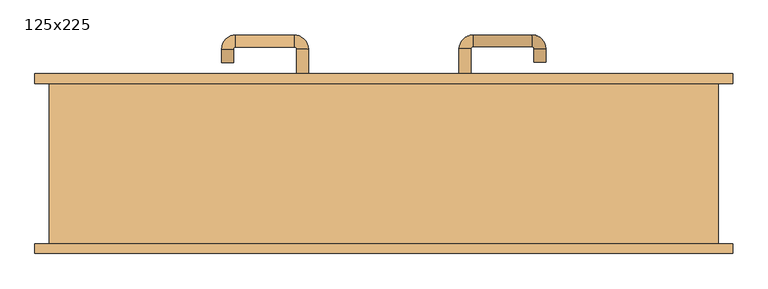
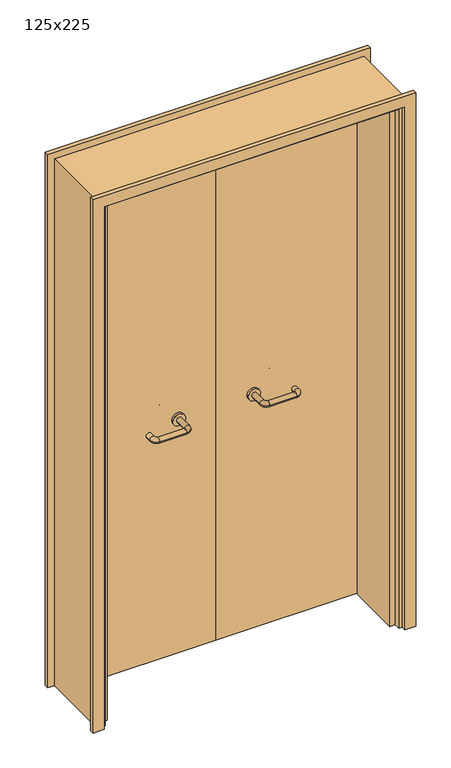
"""IFC4 building model written with IfcOpenShell, lengths in millimetres: door geometry, 125x225."""

from ifc_helpers import new_model, si_unit, point, frame, frame_2d, origin, place, context, project, spatial, polyline, circle_curve, ellipse_curve, trimmed, segment, composite_curve, outline, extrude, faceted_brep, source, transform, mapped, element, save
from ifc_brep_helpers import plane_surface, cylinder_surface, revolved_surface, advanced_brep


def door_125x225_021d0545(model_context):
    return source(origin(), model_context, "Body", "SolidModel", [
        faceted_brep([(-572.0, 103.0, 0.0), (-572.0, -125.0, 0.0), (-593.0, -125.0, 0.0), (-593.0, 103.0, 0.0), (-572.0, 103.0, 2197.0), (-572.0, -125.0, 2197.0), (-593.0, -125.0, 2218.0), (-593.0, 103.0, 2218.0), (572.0, 103.0, 0.0), (593.0, 103.0, 0.0), (593.0, -125.0, 0.0), (572.0, -125.0, 0.0), (572.0, 103.0, 2197.0), (593.0, 103.0, 2218.0), (593.0, -125.0, 2218.0), (572.0, -125.0, 2197.0)], [[[0, 1, 2, 3]], [[1, 0, 4, 5]], [[2, 1, 5, 6]], [[3, 2, 6, 7]], [[0, 3, 7, 4]], [[8, 9, 10, 11]], [[12, 13, 9, 8]], [[13, 14, 10, 9]], [[14, 15, 11, 10]], [[15, 12, 8, 11]], [[5, 4, 12, 15]], [[6, 5, 15, 14]], [[7, 6, 14, 13]], [[4, 7, 13, 12]]]),
        extrude(outline(polyline([(2277.0, 652.0), (2277.0, -652.0), (0.0, -652.0), (0.0, -608.0), (2233.0, -608.0), (2233.0, 608.0), (0.0, 608.0), (0.0, 652.0), (2277.0, 652.0)])), frame((0.0, 150.0, 0.0), z_axis=(0.0, 1.0, 0.0), x_axis=(0.0, 0.0, 1.0)), (0.0, 0.0, 1.0), 18.0),
        extrude(outline(polyline([(2277.0, -652.0), (0.0, -652.0), (0.0, -608.0), (2233.0, -608.0), (2233.0, 608.0), (0.0, 608.0), (0.0, 652.0), (2277.0, 652.0), (2277.0, -652.0)])), frame((0.0, -168.0, 0.0), z_axis=(0.0, 1.0, 0.0), x_axis=(0.0, 0.0, 1.0)), (0.0, 0.0, 1.0), 18.0),
        extrude(outline(polyline([(2250.0, -625.0), (0.0, -625.0), (0.0, -593.0), (2218.0, -593.0), (2218.0, 593.0), (0.0, 593.0), (0.0, 625.0), (2250.0, 625.0), (2250.0, -625.0)])), frame((0.0, -150.0, 0.0), z_axis=(0.0, 1.0, 0.0), x_axis=(0.0, 0.0, 1.0)), (0.0, 0.0, 1.0), 300.0),
        extrude(outline(polyline([(1.0739506, 106.0), (-590.0, 106.0), (-590.0, 150.0), (1.0739506, 150.0), (1.0739506, 106.0)])), frame((0.0, 0.0, 1.753223), z_axis=(0.0, 0.0, 1.0), x_axis=(1.0, 0.0, 0.0)), (0.0, 0.0, 1.0), 2207.246777),
        extrude(outline(polyline([(590.0, 106.0), (1.0739506, 106.0), (1.0739506, 150.0), (590.0, 150.0), (590.0, 106.0)])), frame((0.0, 0.0, 1.753223), z_axis=(0.0, 0.0, 1.0), x_axis=(1.0, 0.0, 0.0)), (0.0, 0.0, 1.0), 2216.246777),
        extrude(outline(polyline([(2250.0, -625.0), (0.0, -625.0), (0.0, -593.0), (2218.0, -593.0), (2218.0, 593.0), (0.0, 593.0), (0.0, 625.0), (2250.0, 625.0), (2250.0, -625.0)])), frame((0.0, -150.0, 0.0), z_axis=(0.0, 1.0, 0.0), x_axis=(0.0, 0.0, 1.0)), (0.0, 0.0, 1.0), 300.0),
        advanced_brep(
        [(140.99898, 96.0, 1003.0), (162.99898, 96.0, 1003.0), (140.99898, 40.6474631, 1003.0), (162.99898, 40.6474631, 1003.0), (166.99898, 36.6474631, 1003.0), (166.99898, 14.6474631, 1003.0), (276.99898, 14.6474631, 1003.0), (276.99898, 36.6474631, 1003.0), (280.99898, 40.6474631, 1003.0), (302.99898, 40.6474631, 1003.0), (302.99898, 58.0, 1003.0), (280.99898, 58.0, 1003.0)],
        [
            (0, 1, circle_curve(frame((151.99898, 96.0, 1003.0), z_axis=(0.0, 1.0, 0.0), x_axis=(1.0, 0.0, 0.0)), 11.0)),
            (1, 0, circle_curve(frame((151.99898, 96.0, 1003.0), z_axis=(0.0, 1.0, 0.0), x_axis=(1.0, 0.0, 0.0)), 11.0)),
            (0, 2),
            (2, 3, circle_curve(frame((151.99898, 40.6474631, 1003.0), z_axis=(0.0, 1.0, 0.0), x_axis=(1.0, 0.0, 0.0)), 11.0)),
            (3, 1),
            (3, 2, circle_curve(frame((151.99898, 40.6474631, 1003.0), z_axis=(0.0, 1.0, 0.0), x_axis=(1.0, 0.0, 0.0)), 11.0)),
            (4, 3, circle_curve(frame((166.99898, 40.6474631, 1003.0), z_axis=(0.0, 0.0, -1.0), x_axis=(-1.0, 0.0, 0.0)), 4.0)),
            (2, 5, circle_curve(frame((166.99898, 40.6474631, 1003.0), z_axis=(0.0, 0.0, 1.0), x_axis=(-1.0, 0.0, 0.0)), 26.0)),
            (5, 4, circle_curve(frame((166.99898, 25.6474631, 1003.0), z_axis=(-1.0, 0.0, 0.0), x_axis=(0.0, 1.0, 0.0)), 11.0)),
            (4, 5, circle_curve(frame((166.99898, 25.6474631, 1003.0), z_axis=(-1.0, 0.0, 0.0), x_axis=(0.0, 1.0, 0.0)), 11.0)),
            (5, 6),
            (6, 7, circle_curve(frame((276.99898, 25.6474631, 1003.0), z_axis=(-1.0, 0.0, 0.0), x_axis=(0.0, 1.0, 0.0)), 11.0)),
            (7, 4),
            (7, 6, circle_curve(frame((276.99898, 25.6474631, 1003.0), z_axis=(-1.0, 0.0, 0.0), x_axis=(0.0, 1.0, 0.0)), 11.0)),
            (8, 7, circle_curve(frame((276.99898, 40.6474631, 1003.0), z_axis=(0.0, 0.0, -1.0), x_axis=(0.0, -1.0, 0.0)), 4.0)),
            (6, 9, circle_curve(frame((276.99898, 40.6474631, 1003.0), z_axis=(0.0, 0.0, 1.0), x_axis=(0.0, -1.0, 0.0)), 26.0)),
            (9, 8, circle_curve(frame((291.99898, 40.6474631, 1003.0), z_axis=(0.0, -1.0, 0.0), x_axis=(-1.0, 0.0, 0.0)), 11.0)),
            (8, 9, circle_curve(frame((291.99898, 40.6474631, 1003.0), z_axis=(0.0, -1.0, 0.0), x_axis=(-1.0, 0.0, 0.0)), 11.0)),
            (10, 11, circle_curve(frame((291.99898, 58.0, 1003.0), z_axis=(0.0, 1.0, 0.0), x_axis=(-1.0, 0.0, 0.0)), 11.0)),
            (11, 10, circle_curve(frame((291.99898, 58.0, 1003.0), z_axis=(0.0, 1.0, 0.0), x_axis=(-1.0, 0.0, 0.0)), 11.0)),
            (9, 10),
            (11, 8),
        ],
        [
            plane_surface(frame((140.99898, 96.0, 1003.0), z_axis=(0.0, 1.0, 0.0), x_axis=(0.0, 0.0, -1.0))),
            cylinder_surface(frame((151.99898, 96.0, 1003.0), z_axis=(0.0, 1.0, 0.0), x_axis=(1.0, 0.0, 0.0)), 11.0),
            revolved_surface(trimmed(ellipse_curve(frame((151.99898, 40.6474631, 1003.0), z_axis=(0.0, 1.0, 0.0), x_axis=(1.0, 0.0, 0.0)), 11.0, 11.0), [point((140.99898, 40.6474631, 1003.0))], [point((162.99898, 40.6474631, 1003.0))], True, "CARTESIAN"), (166.99898, 40.6474631, 1003.0), (0.0, 0.0, 1.0)),
            revolved_surface(trimmed(ellipse_curve(frame((151.99898, 40.6474631, 1003.0), z_axis=(0.0, 1.0, 0.0), x_axis=(1.0, 0.0, 0.0)), 11.0, 11.0), [point((162.99898, 40.6474631, 1003.0))], [point((140.99898, 40.6474631, 1003.0))], True, "CARTESIAN"), (166.99898, 40.6474631, 1003.0), (0.0, 0.0, 1.0)),
            cylinder_surface(frame((166.99898, 25.6474631, 1003.0), z_axis=(-1.0, 0.0, 0.0), x_axis=(0.0, 1.0, 0.0)), 11.0),
            revolved_surface(trimmed(ellipse_curve(frame((276.99898, 25.6474631, 1003.0), z_axis=(-1.0, 0.0, 0.0), x_axis=(0.0, 1.0, 0.0)), 11.0, 11.0), [point((276.99898, 14.6474631, 1003.0))], [point((276.99898, 36.6474631, 1003.0))], True, "CARTESIAN"), (276.99898, 40.6474631, 1003.0), (0.0, 0.0, 1.0)),
            revolved_surface(trimmed(ellipse_curve(frame((276.99898, 25.6474631, 1003.0), z_axis=(-1.0, 0.0, 0.0), x_axis=(0.0, 1.0, 0.0)), 11.0, 11.0), [point((276.99898, 36.6474631, 1003.0))], [point((276.99898, 14.6474631, 1003.0))], True, "CARTESIAN"), (276.99898, 40.6474631, 1003.0), (0.0, 0.0, 1.0)),
            plane_surface(frame((280.99898, 58.0, 1003.0), z_axis=(0.0, 1.0, 0.0), x_axis=(0.0, 0.0, 1.0))),
            cylinder_surface(frame((291.99898, 40.6474631, 1003.0), z_axis=(0.0, -1.0, 0.0), x_axis=(-1.0, 0.0, 0.0)), 11.0),
        ],
        [
            (0, [[1, 2]]),
            (1, [[-1, 3, 4, 5]]),
            (1, [[-2, -5, 6, -3]]),
            (2, [[7, -4, 8, 9]]),
            (3, [[-8, -6, -7, 10]]),
            (4, [[-9, 11, 12, 13]]),
            (4, [[-10, -13, 14, -11]]),
            (5, [[15, -12, 16, 17]]),
            (6, [[-16, -14, -15, 18]]),
            (7, [[19, 20]]),
            (8, [[-17, 21, -20, 22]]),
            (8, [[-18, -22, -19, -21]]),
        ],
    ),
        extrude(outline(composite_curve([segment(trimmed(circle_curve(frame_2d((1003.0, 151.99898)), 25.0), [point((1003.0, 126.99898))], [point((1003.0, 176.99898))], False, "CARTESIAN"), True, "CONTINUOUS"), segment(trimmed(circle_curve(frame_2d((1003.0, 151.99898)), 25.0), [point((1003.0, 176.99898))], [point((1003.0, 126.99898))], False, "CARTESIAN"), True, "CONTINUOUS")], self_intersect=False)), frame((0.0, 96.0, 0.0), z_axis=(0.0, 1.0, 0.0), x_axis=(0.0, 0.0, 1.0)), (0.0, 0.0, 1.0), 10.0),
        advanced_brep(
        [(162.99898, 160.0, 1003.0), (140.99898, 160.0, 1003.0), (162.99898, 215.0, 1003.0), (140.99898, 215.0, 1003.0), (166.99898, 241.0, 1003.0), (166.99898, 219.0, 1003.0), (276.99898, 219.0, 1003.0), (276.99898, 241.0, 1003.0), (302.99898, 215.0, 1003.0), (280.99898, 215.0, 1003.0), (280.99898, 190.0, 1003.0), (302.99898, 190.0, 1003.0)],
        [
            (0, 1, circle_curve(frame((151.99898, 160.0, 1003.0), z_axis=(0.0, -1.0, 0.0), x_axis=(-1.0, 0.0, 0.0)), 11.0)),
            (1, 0, circle_curve(frame((151.99898, 160.0, 1003.0), z_axis=(0.0, -1.0, 0.0), x_axis=(-1.0, 0.0, 0.0)), 11.0)),
            (0, 2),
            (2, 3, circle_curve(frame((151.99898, 215.0, 1003.0), z_axis=(0.0, -1.0, 0.0), x_axis=(-1.0, 0.0, 0.0)), 11.0)),
            (3, 1),
            (3, 2, circle_curve(frame((151.99898, 215.0, 1003.0), z_axis=(0.0, -1.0, 0.0), x_axis=(-1.0, 0.0, 0.0)), 11.0)),
            (4, 3, circle_curve(frame((166.99898, 215.0, 1003.0), z_axis=(0.0, 0.0, 1.0), x_axis=(-1.0, 0.0, 0.0)), 26.0)),
            (2, 5, circle_curve(frame((166.99898, 215.0, 1003.0), z_axis=(0.0, 0.0, -1.0), x_axis=(-1.0, 0.0, 0.0)), 4.0)),
            (5, 4, circle_curve(frame((166.99898, 230.0, 1003.0), z_axis=(-1.0, 0.0, 0.0), x_axis=(0.0, 1.0, 0.0)), 11.0)),
            (4, 5, circle_curve(frame((166.99898, 230.0, 1003.0), z_axis=(-1.0, 0.0, 0.0), x_axis=(0.0, 1.0, 0.0)), 11.0)),
            (5, 6),
            (6, 7, circle_curve(frame((276.99898, 230.0, 1003.0), z_axis=(-1.0, 0.0, 0.0), x_axis=(0.0, 1.0, 0.0)), 11.0)),
            (7, 4),
            (7, 6, circle_curve(frame((276.99898, 230.0, 1003.0), z_axis=(-1.0, 0.0, 0.0), x_axis=(0.0, 1.0, 0.0)), 11.0)),
            (8, 7, circle_curve(frame((276.99898, 215.0, 1003.0), z_axis=(0.0, 0.0, 1.0), x_axis=(0.0, 1.0, 0.0)), 26.0)),
            (6, 9, circle_curve(frame((276.99898, 215.0, 1003.0), z_axis=(0.0, 0.0, -1.0), x_axis=(0.0, 1.0, 0.0)), 4.0)),
            (9, 8, circle_curve(frame((291.99898, 215.0, 1003.0), z_axis=(0.0, 1.0, 0.0), x_axis=(1.0, 0.0, 0.0)), 11.0)),
            (8, 9, circle_curve(frame((291.99898, 215.0, 1003.0), z_axis=(0.0, 1.0, 0.0), x_axis=(1.0, 0.0, 0.0)), 11.0)),
            (10, 11, circle_curve(frame((291.99898, 190.0, 1003.0), z_axis=(0.0, -1.0, 0.0), x_axis=(1.0, 0.0, 0.0)), 11.0)),
            (11, 10, circle_curve(frame((291.99898, 190.0, 1003.0), z_axis=(0.0, -1.0, 0.0), x_axis=(1.0, 0.0, 0.0)), 11.0)),
            (9, 10),
            (11, 8),
        ],
        [
            plane_surface(frame((140.99898, 160.0, 1003.0), z_axis=(0.0, -1.0, 0.0), x_axis=(0.0, 0.0, 1.0))),
            cylinder_surface(frame((151.99898, 160.0, 1003.0), z_axis=(0.0, -1.0, 0.0), x_axis=(-1.0, 0.0, 0.0)), 11.0),
            revolved_surface(trimmed(ellipse_curve(frame((151.99898, 215.0, 1003.0), z_axis=(0.0, -1.0, 0.0), x_axis=(-1.0, 0.0, 0.0)), 11.0, 11.0), [point((162.99898, 215.0, 1003.0))], [point((140.99898, 215.0, 1003.0))], True, "CARTESIAN"), (166.99898, 215.0, 1003.0), (0.0, 0.0, -1.0)),
            revolved_surface(trimmed(ellipse_curve(frame((151.99898, 215.0, 1003.0), z_axis=(0.0, -1.0, 0.0), x_axis=(-1.0, 0.0, 0.0)), 11.0, 11.0), [point((140.99898, 215.0, 1003.0))], [point((162.99898, 215.0, 1003.0))], True, "CARTESIAN"), (166.99898, 215.0, 1003.0), (0.0, 0.0, -1.0)),
            cylinder_surface(frame((166.99898, 230.0, 1003.0), z_axis=(-1.0, 0.0, 0.0), x_axis=(0.0, 1.0, 0.0)), 11.0),
            revolved_surface(trimmed(ellipse_curve(frame((276.99898, 230.0, 1003.0), z_axis=(-1.0, 0.0, 0.0), x_axis=(0.0, 1.0, 0.0)), 11.0, 11.0), [point((276.99898, 219.0, 1003.0))], [point((276.99898, 241.0, 1003.0))], True, "CARTESIAN"), (276.99898, 215.0, 1003.0), (0.0, 0.0, -1.0)),
            revolved_surface(trimmed(ellipse_curve(frame((276.99898, 230.0, 1003.0), z_axis=(-1.0, 0.0, 0.0), x_axis=(0.0, 1.0, 0.0)), 11.0, 11.0), [point((276.99898, 241.0, 1003.0))], [point((276.99898, 219.0, 1003.0))], True, "CARTESIAN"), (276.99898, 215.0, 1003.0), (0.0, 0.0, -1.0)),
            plane_surface(frame((280.99898, 190.0, 1003.0), z_axis=(0.0, -1.0, 0.0), x_axis=(0.0, 0.0, -1.0))),
            cylinder_surface(frame((291.99898, 215.0, 1003.0), z_axis=(0.0, 1.0, 0.0), x_axis=(1.0, 0.0, 0.0)), 11.0),
        ],
        [
            (0, [[1, 2]]),
            (1, [[-1, 3, 4, 5]]),
            (1, [[-2, -5, 6, -3]]),
            (2, [[7, -4, 8, 9]]),
            (3, [[-8, -6, -7, 10]]),
            (4, [[-9, 11, 12, 13]]),
            (4, [[-10, -13, 14, -11]]),
            (5, [[15, -12, 16, 17]]),
            (6, [[-16, -14, -15, 18]]),
            (7, [[19, 20]]),
            (8, [[-17, 21, -20, 22]]),
            (8, [[-18, -22, -19, -21]]),
        ],
    ),
        extrude(outline(composite_curve([segment(trimmed(circle_curve(frame_2d((1003.0, 151.99898)), 25.0), [point((1003.0, 176.99898))], [point((1003.0, 126.99898))], False, "CARTESIAN"), True, "CONTINUOUS"), segment(trimmed(circle_curve(frame_2d((1003.0, 151.99898)), 25.0), [point((1003.0, 126.99898))], [point((1003.0, 176.99898))], False, "CARTESIAN"), True, "CONTINUOUS")], self_intersect=False)), frame((0.0, 150.0, 0.0), z_axis=(0.0, 1.0, 0.0), x_axis=(0.0, 0.0, 1.0)), (0.0, 0.0, 1.0), 10.0),
        advanced_brep(
        [(-162.99898, 95.6886121, 1003.0), (-140.99898, 95.6886121, 1003.0), (-162.99898, 40.2779553, 1003.0), (-140.99898, 40.2779553, 1003.0), (-166.99898, 14.2779553, 1003.0), (-166.99898, 36.2779553, 1003.0), (-276.99898, 36.2779553, 1003.0), (-276.99898, 14.2779553, 1003.0), (-302.99898, 40.2779553, 1003.0), (-280.99898, 40.2779553, 1003.0), (-280.99898, 65.2779553, 1003.0), (-302.99898, 65.2779553, 1003.0)],
        [
            (0, 1, circle_curve(frame((-151.99898, 95.6886121, 1003.0), z_axis=(0.0, 1.0, 0.0), x_axis=(1.0, 0.0, 0.0)), 11.0)),
            (1, 0, circle_curve(frame((-151.99898, 95.6886121, 1003.0), z_axis=(0.0, 1.0, 0.0), x_axis=(1.0, 0.0, 0.0)), 11.0)),
            (0, 2),
            (2, 3, circle_curve(frame((-151.99898, 40.2779553, 1003.0), z_axis=(0.0, 1.0, 0.0), x_axis=(1.0, 0.0, 0.0)), 11.0)),
            (3, 1),
            (3, 2, circle_curve(frame((-151.99898, 40.2779553, 1003.0), z_axis=(0.0, 1.0, 0.0), x_axis=(1.0, 0.0, 0.0)), 11.0)),
            (4, 3, circle_curve(frame((-166.99898, 40.2779553, 1003.0), z_axis=(0.0, 0.0, 1.0), x_axis=(1.0, 0.0, 0.0)), 26.0)),
            (2, 5, circle_curve(frame((-166.99898, 40.2779553, 1003.0), z_axis=(0.0, 0.0, -1.0), x_axis=(1.0, 0.0, 0.0)), 4.0)),
            (5, 4, circle_curve(frame((-166.99898, 25.2779553, 1003.0), z_axis=(1.0, 0.0, 0.0), x_axis=(0.0, -1.0, 0.0)), 11.0)),
            (4, 5, circle_curve(frame((-166.99898, 25.2779553, 1003.0), z_axis=(1.0, 0.0, 0.0), x_axis=(0.0, -1.0, 0.0)), 11.0)),
            (5, 6),
            (6, 7, circle_curve(frame((-276.99898, 25.2779553, 1003.0), z_axis=(1.0, 0.0, 0.0), x_axis=(0.0, -1.0, 0.0)), 11.0)),
            (7, 4),
            (7, 6, circle_curve(frame((-276.99898, 25.2779553, 1003.0), z_axis=(1.0, 0.0, 0.0), x_axis=(0.0, -1.0, 0.0)), 11.0)),
            (8, 7, circle_curve(frame((-276.99898, 40.2779553, 1003.0), z_axis=(0.0, 0.0, 1.0), x_axis=(0.0, -1.0, 0.0)), 26.0)),
            (6, 9, circle_curve(frame((-276.99898, 40.2779553, 1003.0), z_axis=(0.0, 0.0, -1.0), x_axis=(0.0, -1.0, 0.0)), 4.0)),
            (9, 8, circle_curve(frame((-291.99898, 40.2779553, 1003.0), z_axis=(0.0, -1.0, 0.0), x_axis=(-1.0, 0.0, 0.0)), 11.0)),
            (8, 9, circle_curve(frame((-291.99898, 40.2779553, 1003.0), z_axis=(0.0, -1.0, 0.0), x_axis=(-1.0, 0.0, 0.0)), 11.0)),
            (10, 11, circle_curve(frame((-291.99898, 65.2779553, 1003.0), z_axis=(0.0, 1.0, 0.0), x_axis=(-1.0, 0.0, 0.0)), 11.0)),
            (11, 10, circle_curve(frame((-291.99898, 65.2779553, 1003.0), z_axis=(0.0, 1.0, 0.0), x_axis=(-1.0, 0.0, 0.0)), 11.0)),
            (9, 10),
            (11, 8),
        ],
        [
            plane_surface(frame((-162.99898, 95.6886121, 1003.0), z_axis=(0.0, 1.0, 0.0), x_axis=(0.0, 0.0, -1.0))),
            cylinder_surface(frame((-151.99898, 95.6886121, 1003.0), z_axis=(0.0, 1.0, 0.0), x_axis=(1.0, 0.0, 0.0)), 11.0),
            revolved_surface(trimmed(ellipse_curve(frame((-151.99898, 40.2779553, 1003.0), z_axis=(0.0, 1.0, 0.0), x_axis=(1.0, 0.0, 0.0)), 11.0, 11.0), [point((-162.99898, 40.2779553, 1003.0))], [point((-140.99898, 40.2779553, 1003.0))], True, "CARTESIAN"), (-166.99898, 40.2779553, 1003.0), (0.0, 0.0, -1.0)),
            revolved_surface(trimmed(ellipse_curve(frame((-151.99898, 40.2779553, 1003.0), z_axis=(0.0, 1.0, 0.0), x_axis=(1.0, 0.0, 0.0)), 11.0, 11.0), [point((-140.99898, 40.2779553, 1003.0))], [point((-162.99898, 40.2779553, 1003.0))], True, "CARTESIAN"), (-166.99898, 40.2779553, 1003.0), (0.0, 0.0, -1.0)),
            cylinder_surface(frame((-166.99898, 25.2779553, 1003.0), z_axis=(1.0, 0.0, 0.0), x_axis=(0.0, -1.0, 0.0)), 11.0),
            revolved_surface(trimmed(ellipse_curve(frame((-276.99898, 25.2779553, 1003.0), z_axis=(1.0, 0.0, 0.0), x_axis=(0.0, -1.0, 0.0)), 11.0, 11.0), [point((-276.99898, 36.2779553, 1003.0))], [point((-276.99898, 14.2779553, 1003.0))], True, "CARTESIAN"), (-276.99898, 40.2779553, 1003.0), (0.0, 0.0, -1.0)),
            revolved_surface(trimmed(ellipse_curve(frame((-276.99898, 25.2779553, 1003.0), z_axis=(1.0, 0.0, 0.0), x_axis=(0.0, -1.0, 0.0)), 11.0, 11.0), [point((-276.99898, 14.2779553, 1003.0))], [point((-276.99898, 36.2779553, 1003.0))], True, "CARTESIAN"), (-276.99898, 40.2779553, 1003.0), (0.0, 0.0, -1.0)),
            plane_surface(frame((-302.99898, 65.2779553, 1003.0), z_axis=(0.0, 1.0, 0.0), x_axis=(0.0, 0.0, 1.0))),
            cylinder_surface(frame((-291.99898, 40.2779553, 1003.0), z_axis=(0.0, -1.0, 0.0), x_axis=(-1.0, 0.0, 0.0)), 11.0),
        ],
        [
            (0, [[1, 2]]),
            (1, [[-1, 3, 4, 5]]),
            (1, [[-2, -5, 6, -3]]),
            (2, [[7, -4, 8, 9]]),
            (3, [[-8, -6, -7, 10]]),
            (4, [[-9, 11, 12, 13]]),
            (4, [[-10, -13, 14, -11]]),
            (5, [[15, -12, 16, 17]]),
            (6, [[-16, -14, -15, 18]]),
            (7, [[19, 20]]),
            (8, [[-17, 21, -20, 22]]),
            (8, [[-18, -22, -19, -21]]),
        ],
    ),
        extrude(outline(composite_curve([segment(trimmed(circle_curve(frame_2d((1003.0, -151.99898)), 25.0), [point((1003.0, -176.99898))], [point((1003.0, -126.99898))], False, "CARTESIAN"), True, "CONTINUOUS"), segment(trimmed(circle_curve(frame_2d((1003.0, -151.99898)), 25.0), [point((1003.0, -126.99898))], [point((1003.0, -176.99898))], False, "CARTESIAN"), True, "CONTINUOUS")], self_intersect=False)), frame((0.0, 95.6886121, 0.0), z_axis=(0.0, 1.0, 0.0), x_axis=(0.0, 0.0, 1.0)), (0.0, 0.0, 1.0), 10.3113879),
        advanced_brep(
        [(-140.99898, 159.5143417, 1003.0), (-162.99898, 159.5143417, 1003.0), (-140.99898, 214.6104656, 1003.0), (-162.99898, 214.6104656, 1003.0), (-166.99898, 218.6104656, 1003.0), (-166.99898, 240.6104656, 1003.0), (-276.99898, 240.6104656, 1003.0), (-276.99898, 218.6104656, 1003.0), (-280.99898, 214.6104656, 1003.0), (-302.99898, 214.6104656, 1003.0), (-302.99898, 189.6104656, 1003.0), (-280.99898, 189.6104656, 1003.0)],
        [
            (0, 1, circle_curve(frame((-151.99898, 159.5143417, 1003.0), z_axis=(0.0, -1.0, 0.0), x_axis=(-1.0, 0.0, 0.0)), 11.0)),
            (1, 0, circle_curve(frame((-151.99898, 159.5143417, 1003.0), z_axis=(0.0, -1.0, 0.0), x_axis=(-1.0, 0.0, 0.0)), 11.0)),
            (0, 2),
            (2, 3, circle_curve(frame((-151.99898, 214.6104656, 1003.0), z_axis=(0.0, -1.0, 0.0), x_axis=(-1.0, 0.0, 0.0)), 11.0)),
            (3, 1),
            (3, 2, circle_curve(frame((-151.99898, 214.6104656, 1003.0), z_axis=(0.0, -1.0, 0.0), x_axis=(-1.0, 0.0, 0.0)), 11.0)),
            (4, 3, circle_curve(frame((-166.99898, 214.6104656, 1003.0), z_axis=(0.0, 0.0, -1.0), x_axis=(1.0, 0.0, 0.0)), 4.0)),
            (2, 5, circle_curve(frame((-166.99898, 214.6104656, 1003.0), z_axis=(0.0, 0.0, 1.0), x_axis=(1.0, 0.0, 0.0)), 26.0)),
            (5, 4, circle_curve(frame((-166.99898, 229.6104656, 1003.0), z_axis=(1.0, 0.0, 0.0), x_axis=(0.0, -1.0, 0.0)), 11.0)),
            (4, 5, circle_curve(frame((-166.99898, 229.6104656, 1003.0), z_axis=(1.0, 0.0, 0.0), x_axis=(0.0, -1.0, 0.0)), 11.0)),
            (5, 6),
            (6, 7, circle_curve(frame((-276.99898, 229.6104656, 1003.0), z_axis=(1.0, 0.0, 0.0), x_axis=(0.0, -1.0, 0.0)), 11.0)),
            (7, 4),
            (7, 6, circle_curve(frame((-276.99898, 229.6104656, 1003.0), z_axis=(1.0, 0.0, 0.0), x_axis=(0.0, -1.0, 0.0)), 11.0)),
            (8, 7, circle_curve(frame((-276.99898, 214.6104656, 1003.0), z_axis=(0.0, 0.0, -1.0), x_axis=(0.0, 1.0, 0.0)), 4.0)),
            (6, 9, circle_curve(frame((-276.99898, 214.6104656, 1003.0), z_axis=(0.0, 0.0, 1.0), x_axis=(0.0, 1.0, 0.0)), 26.0)),
            (9, 8, circle_curve(frame((-291.99898, 214.6104656, 1003.0), z_axis=(0.0, 1.0, 0.0), x_axis=(1.0, 0.0, 0.0)), 11.0)),
            (8, 9, circle_curve(frame((-291.99898, 214.6104656, 1003.0), z_axis=(0.0, 1.0, 0.0), x_axis=(1.0, 0.0, 0.0)), 11.0)),
            (10, 11, circle_curve(frame((-291.99898, 189.6104656, 1003.0), z_axis=(0.0, -1.0, 0.0), x_axis=(1.0, 0.0, 0.0)), 11.0)),
            (11, 10, circle_curve(frame((-291.99898, 189.6104656, 1003.0), z_axis=(0.0, -1.0, 0.0), x_axis=(1.0, 0.0, 0.0)), 11.0)),
            (9, 10),
            (11, 8),
        ],
        [
            plane_surface(frame((-162.99898, 159.5143417, 1003.0), z_axis=(0.0, -1.0, 0.0), x_axis=(0.0, 0.0, 1.0))),
            cylinder_surface(frame((-151.99898, 159.5143417, 1003.0), z_axis=(0.0, -1.0, 0.0), x_axis=(-1.0, 0.0, 0.0)), 11.0),
            revolved_surface(trimmed(ellipse_curve(frame((-151.99898, 214.6104656, 1003.0), z_axis=(0.0, -1.0, 0.0), x_axis=(-1.0, 0.0, 0.0)), 11.0, 11.0), [point((-140.99898, 214.6104656, 1003.0))], [point((-162.99898, 214.6104656, 1003.0))], True, "CARTESIAN"), (-166.99898, 214.6104656, 1003.0), (0.0, 0.0, 1.0)),
            revolved_surface(trimmed(ellipse_curve(frame((-151.99898, 214.6104656, 1003.0), z_axis=(0.0, -1.0, 0.0), x_axis=(-1.0, 0.0, 0.0)), 11.0, 11.0), [point((-162.99898, 214.6104656, 1003.0))], [point((-140.99898, 214.6104656, 1003.0))], True, "CARTESIAN"), (-166.99898, 214.6104656, 1003.0), (0.0, 0.0, 1.0)),
            cylinder_surface(frame((-166.99898, 229.6104656, 1003.0), z_axis=(1.0, 0.0, 0.0), x_axis=(0.0, -1.0, 0.0)), 11.0),
            revolved_surface(trimmed(ellipse_curve(frame((-276.99898, 229.6104656, 1003.0), z_axis=(1.0, 0.0, 0.0), x_axis=(0.0, -1.0, 0.0)), 11.0, 11.0), [point((-276.99898, 240.6104656, 1003.0))], [point((-276.99898, 218.6104656, 1003.0))], True, "CARTESIAN"), (-276.99898, 214.6104656, 1003.0), (0.0, 0.0, 1.0)),
            revolved_surface(trimmed(ellipse_curve(frame((-276.99898, 229.6104656, 1003.0), z_axis=(1.0, 0.0, 0.0), x_axis=(0.0, -1.0, 0.0)), 11.0, 11.0), [point((-276.99898, 218.6104656, 1003.0))], [point((-276.99898, 240.6104656, 1003.0))], True, "CARTESIAN"), (-276.99898, 214.6104656, 1003.0), (0.0, 0.0, 1.0)),
            plane_surface(frame((-302.99898, 189.6104656, 1003.0), z_axis=(0.0, -1.0, 0.0), x_axis=(0.0, 0.0, -1.0))),
            cylinder_surface(frame((-291.99898, 214.6104656, 1003.0), z_axis=(0.0, 1.0, 0.0), x_axis=(1.0, 0.0, 0.0)), 11.0),
        ],
        [
            (0, [[1, 2]]),
            (1, [[-1, 3, 4, 5]]),
            (1, [[-2, -5, 6, -3]]),
            (2, [[7, -4, 8, 9]]),
            (3, [[-8, -6, -7, 10]]),
            (4, [[-9, 11, 12, 13]]),
            (4, [[-10, -13, 14, -11]]),
            (5, [[15, -12, 16, 17]]),
            (6, [[-16, -14, -15, 18]]),
            (7, [[19, 20]]),
            (8, [[-17, 21, -20, 22]]),
            (8, [[-18, -22, -19, -21]]),
        ],
    ),
        extrude(outline(composite_curve([segment(trimmed(circle_curve(frame_2d((1003.0, -151.99898)), 25.0), [point((1003.0, -126.99898))], [point((1003.0, -176.99898))], False, "CARTESIAN"), True, "CONTINUOUS"), segment(trimmed(circle_curve(frame_2d((1003.0, -151.99898)), 25.0), [point((1003.0, -176.99898))], [point((1003.0, -126.99898))], False, "CARTESIAN"), True, "CONTINUOUS")], self_intersect=False)), frame((0.0, 150.0, 0.0), z_axis=(0.0, 1.0, 0.0), x_axis=(0.0, 0.0, 1.0)), (0.0, 0.0, 1.0), 9.5143417),
    ])


if __name__ == "__main__":
    model = new_model("IFC4")
    model_context = context("Model", 3, world=origin())
    ifc_project = project(units=[si_unit("LENGTHUNIT", "METRE", prefix="MILLI")], contexts=[model_context])
    site = spatial("IfcSite", under=ifc_project)
    building = spatial("IfcBuilding", under=site)
    placement = place(None, origin())
    door_125x225_shape = door_125x225_021d0545(model_context)
    element("IfcDoor", 1, ObjectType="125x225", at=placement, inside=building, context=model_context, shape_type="MappedRepresentation", body=[
        mapped(door_125x225_shape, transform((0.0, 0.0, 0.0), x_axis=(1.0, 0.0, 0.0), y_axis=(0.0, 1.0, 0.0), z_axis=(0.0, 0.0, 1.0))),
    ])
    save(model, "model.ifc")
